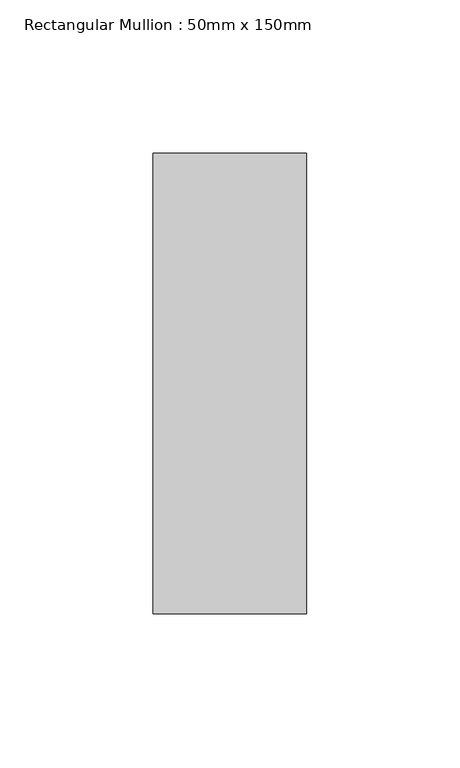
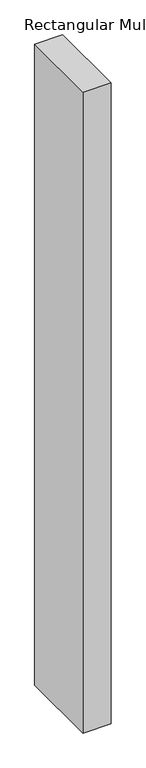
"""IFC4 building model written with IfcOpenShell, lengths in millimetres: member geometry, Rectangular Mullion : 50mm x 150mm."""

from ifc_helpers import new_model, si_unit, frame, origin, place, context, project, spatial, polyline, outline, extrude, source, transform, mapped, element, save


def rectangular_mullion_50mm_x_150mm_ef4b0f52(model_context):
    return source(origin(), model_context, "Body", "SweptSolid", [
        extrude(outline(polyline([(0.0, 75.0), (0.0, -75.0), (-50.0, -75.0), (-50.0, 75.0), (0.0, 75.0)])), frame((0.0, 0.0, -1214.0287222), z_axis=(0.0, 0.0, 1.0), x_axis=(1.0, 0.0, 0.0)), (0.0, 0.0, 1.0), 1214.0287222),
    ])


if __name__ == "__main__":
    model = new_model("IFC4")
    model_context = context("Model", 3, world=origin())
    ifc_project = project(units=[si_unit("LENGTHUNIT", "METRE", prefix="MILLI")], contexts=[model_context])
    site = spatial("IfcSite", under=ifc_project)
    building = spatial("IfcBuilding", under=site)
    placement = place(None, origin())
    rectangular_mullion_50mm_x_150mm_shape = rectangular_mullion_50mm_x_150mm_ef4b0f52(model_context)
    element("IfcMember", 1, ObjectType="Rectangular Mullion : 50mm x 150mm", at=placement, inside=building, context=model_context, shape_type="MappedRepresentation", body=[
        mapped(rectangular_mullion_50mm_x_150mm_shape, transform((0.0, 0.0, 0.0), x_axis=(1.0, 0.0, 0.0), y_axis=(0.0, 1.0, 0.0), z_axis=(0.0, 0.0, 1.0))),
    ])
    save(model, "model.ifc")
